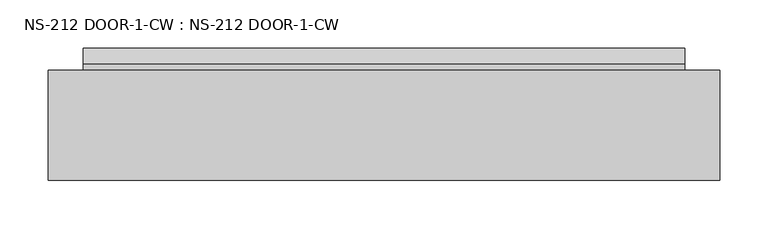
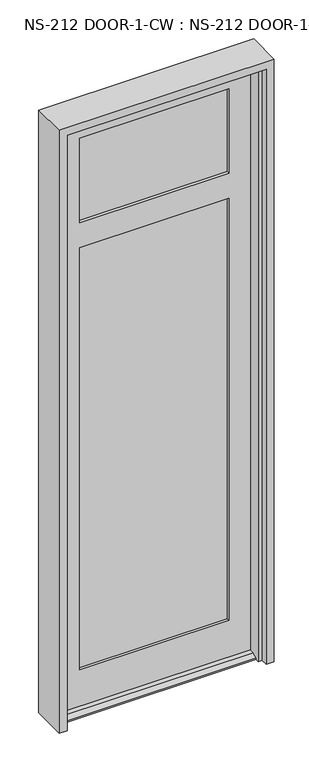
"""IFC4 building model written with IfcOpenShell, lengths in millimetres: plate geometry, NS-212 DOOR-1-CW : NS-212 DOOR-1-CW."""

from ifc_helpers import new_model, si_unit, frame, origin, place, context, project, spatial, polyline, outline, extrude, faceted_brep, source, transform, mapped, element, save


def ns_212_door_1_cw_ns_212_door_1_cw_13009c6b(model_context):
    return source(origin(), model_context, "Body", "SolidModel", [
        faceted_brep([(-315.563296, -0.8585632, 0.0), (-315.563296, -0.8585632, 2040.73125), (315.563296, -0.8585632, 2040.73125), (315.563296, -0.8585632, 0.0), (312.794696, -0.8585632, 0.0), (312.794696, -0.8585632, 12.7), (-312.794696, -0.8585632, 12.7), (-312.794696, -0.8585632, 0.0), (-242.538296, -0.8585632, 138.1125), (242.538296, -0.8585632, 138.1125), (242.538296, -0.8585632, 1588.29375), (-242.538296, -0.8585632, 1588.29375), (-242.538296, -0.8585632, 1674.01875), (242.538296, -0.8585632, 1674.01875), (242.538296, -0.8585632, 1964.53125), (-242.538296, -0.8585632, 1964.53125), (-242.538296, -10.3835632, 1964.53125), (242.538296, -10.3835632, 1964.53125), (-249.682046, -10.3835632, 1971.675), (-249.682046, -10.3835632, 1666.875), (249.682046, -10.3835632, 1666.875), (249.682046, -10.3835632, 1971.675), (-242.538296, -10.3835632, 1674.01875), (242.538296, -10.3835632, 1674.01875), (-249.682046, -10.3835632, 1595.4375), (-249.682046, -10.3835632, 130.96875), (249.682046, -10.3835632, 130.96875), (249.682046, -10.3835632, 1595.4375), (-242.538296, -10.3835632, 138.1125), (-242.538296, -10.3835632, 1588.29375), (242.538296, -10.3835632, 1588.29375), (242.538296, -10.3835632, 138.1125), (249.682046, -35.7835632, 1971.675), (-249.682046, -35.7835632, 1971.675), (-249.682046, -35.7835632, 1666.875), (249.682046, -35.7835632, 1666.875), (-242.538296, -35.7835632, 1964.53125), (-242.538296, -35.7835632, 1674.01875), (242.538296, -35.7835632, 1674.01875), (242.538296, -35.7835632, 1964.53125), (-249.682046, -35.7835632, 130.96875), (-249.682046, -35.7835632, 1595.4375), (249.682046, -35.7835632, 1595.4375), (249.682046, -35.7835632, 130.96875), (-242.538296, -35.7835632, 1588.29375), (-242.538296, -35.7835632, 138.1125), (242.538296, -35.7835632, 138.1125), (242.538296, -35.7835632, 1588.29375), (-242.538296, -45.3085632, 1964.53125), (242.538296, -45.3085632, 1964.53125), (-312.794696, -45.3085632, 2040.73125), (-312.794696, -45.3085632, 12.7), (312.794696, -45.3085632, 12.7), (312.794696, -45.3085632, 2040.73125), (-242.538296, -45.3085632, 1588.29375), (242.538296, -45.3085632, 1588.29375), (242.538296, -45.3085632, 138.1125), (-242.538296, -45.3085632, 138.1125), (-242.538296, -45.3085632, 1674.01875), (242.538296, -45.3085632, 1674.01875), (312.794696, -61.9583086, 12.7), (312.794696, -78.646154, 4.9183299), (312.794696, -78.646154, 0.0), (312.794696, -45.3085632, 0.0), (312.794696, 22.9539368, 0.0), (312.794696, 22.9539368, 4.9183299), (312.794696, 6.2660914, 12.7), (-312.794696, 6.2660914, 12.7), (-312.794696, 22.9539368, 4.9183299), (-312.794696, 22.9539368, 0.0), (-312.794696, -78.646154, 0.0), (-312.794696, -78.646154, 4.9183299), (-312.794696, -61.9583086, 12.7), (-312.794696, -45.3085632, 0.0)], [[[0, 1, 2, 3, 4, 5, 6, 7], [8, 9, 10, 11], [12, 13, 14, 15]], [[16, 15, 14, 17]], [[18, 19, 20, 21], [22, 16, 17, 23]], [[24, 25, 26, 27], [28, 29, 30, 31]], [[32, 33, 18, 21]], [[34, 33, 32, 35], [36, 37, 38, 39]], [[40, 41, 42, 43], [44, 45, 46, 47]], [[48, 36, 39, 49]], [[50, 51, 52, 53], [54, 55, 56, 57], [58, 48, 49, 59]], [[2, 1, 50, 53]], [[52, 60, 61, 62, 63]], [[64, 65, 66, 5, 4]], [[6, 67, 68, 69, 7]], [[70, 71, 72, 51, 73]], [[8, 28, 31, 9]], [[26, 25, 40, 43]], [[45, 57, 56, 46]], [[60, 52, 51, 72]], [[62, 70, 73, 0, 7, 69, 64, 4, 3, 63]], [[6, 5, 66, 67]], [[12, 22, 23, 13]], [[20, 19, 34, 35]], [[37, 58, 59, 38]], [[54, 44, 47, 55]], [[42, 41, 24, 27]], [[29, 11, 10, 30]], [[61, 60, 72, 71]], [[62, 61, 71, 70]], [[65, 64, 69, 68]], [[66, 65, 68, 67]], [[37, 36, 48, 58]], [[54, 57, 45, 44]], [[18, 33, 34, 19]], [[40, 25, 24, 41]], [[8, 11, 29, 28]], [[12, 15, 16, 22]], [[50, 1, 0, 73, 51]], [[2, 53, 52, 63, 3]], [[23, 17, 14, 13]], [[10, 9, 31, 30]], [[21, 20, 35, 32]], [[43, 42, 27, 26]], [[59, 49, 39, 38]], [[47, 46, 56, 55]]]),
        extrude(outline(polyline([(249.682046, -10.3835632), (249.682046, -16.7335632), (-249.682046, -16.7335632), (-249.682046, -10.3835632), (249.682046, -10.3835632)])), frame((0.0, 0.0, 1666.875), z_axis=(0.0, 0.0, 1.0), x_axis=(1.0, 0.0, 0.0)), (0.0, 0.0, 1.0), 304.8),
        extrude(outline(polyline([(249.682046, -29.4335632), (249.682046, -35.7835632), (-249.682046, -35.7835632), (-249.682046, -29.4335632), (249.682046, -29.4335632)])), frame((0.0, 0.0, 1666.875), z_axis=(0.0, 0.0, 1.0), x_axis=(1.0, 0.0, 0.0)), (0.0, 0.0, 1.0), 304.8),
        extrude(outline(polyline([(249.682046, -10.3835632), (249.682046, -16.7335632), (-249.682046, -16.7335632), (-249.682046, -10.3835632), (249.682046, -10.3835632)])), frame((0.0, 0.0, 130.96875), z_axis=(0.0, 0.0, 1.0), x_axis=(1.0, 0.0, 0.0)), (0.0, 0.0, 1.0), 1464.46875),
        extrude(outline(polyline([(249.682046, -29.4335632), (249.682046, -35.7835632), (-249.682046, -35.7835632), (-249.682046, -29.4335632), (249.682046, -29.4335632)])), frame((0.0, 0.0, 130.96875), z_axis=(0.0, 0.0, 1.0), x_axis=(1.0, 0.0, 0.0)), (0.0, 0.0, 1.0), 1464.46875),
        faceted_brep([(-349.2500002, -114.3, 2070.1), (-349.2500002, 0.0, 2070.1), (-349.2500002, 0.0, 0.0), (-349.2500002, -114.3, 0.0), (349.2500002, 0.0, 2070.1), (349.2500002, -114.3, 2070.1), (349.2500002, -114.3, 0.0), (349.2500002, 0.0, 0.0), (311.1500002, -91.313, 0.0), (323.8500002, -91.313, 0.0), (323.8500002, -91.313, 2044.7), (-323.8500002, -91.313, 2044.7), (-323.8500002, -91.313, 0.0), (-311.1500002, -91.313, 0.0), (-311.1500002, -91.313, 2032.0), (311.1500002, -91.313, 2032.0), (323.8500002, -114.3, 2044.7), (-323.8500002, -114.3, 2044.7), (-323.8500002, -114.3, 0.0), (323.8500002, -114.3, 0.0), (323.8500002, 0.0, 0.0), (323.8500002, 0.0, 2044.7), (-323.8500002, 0.0, 2044.7), (-323.8500002, 0.0, 0.0), (323.8500002, -50.038, 2044.7), (-323.8500002, -50.038, 2044.7), (323.8500002, -50.038, 0.0), (311.1500002, -50.038, 0.0), (311.1500002, -50.038, 2032.0), (-311.1500002, -50.038, 2032.0), (-311.1500002, -50.038, 0.0), (-323.8500002, -50.038, 0.0)], [[[0, 1, 2, 3]], [[4, 5, 6, 7]], [[8, 9, 10, 11, 12, 13, 14, 15]], [[11, 10, 16, 17]], [[0, 3, 18, 17, 16, 19, 6, 5]], [[4, 1, 0, 5]], [[2, 1, 4, 7, 20, 21, 22, 23]], [[21, 24, 25, 22]], [[26, 27, 28, 29, 30, 31, 25, 24]], [[28, 15, 14, 29]], [[27, 26, 20, 7, 6, 19, 9, 8]], [[20, 26, 24, 21]], [[9, 19, 16, 10]], [[27, 8, 15, 28]], [[30, 13, 12, 18, 3, 2, 23, 31]], [[13, 30, 29, 14]], [[18, 12, 11, 17]], [[25, 31, 23, 22]]]),
    ])


if __name__ == "__main__":
    model = new_model("IFC4")
    model_context = context("Model", 3, world=origin())
    ifc_project = project(units=[si_unit("LENGTHUNIT", "METRE", prefix="MILLI")], contexts=[model_context])
    site = spatial("IfcSite", under=ifc_project)
    building = spatial("IfcBuilding", under=site)
    placement = place(None, origin())
    ns_212_door_1_cw_ns_212_door_1_cw_shape = ns_212_door_1_cw_ns_212_door_1_cw_13009c6b(model_context)
    element("IfcPlate", 1, ObjectType="NS-212 DOOR-1-CW : NS-212 DOOR-1-CW", at=placement, inside=building, context=model_context, shape_type="MappedRepresentation", body=[
        mapped(ns_212_door_1_cw_ns_212_door_1_cw_shape, transform((0.0, 0.0, 0.0), x_axis=(1.0, 0.0, 0.0), y_axis=(0.0, 1.0, 0.0), z_axis=(0.0, 0.0, 1.0))),
    ])
    save(model, "model.ifc")
